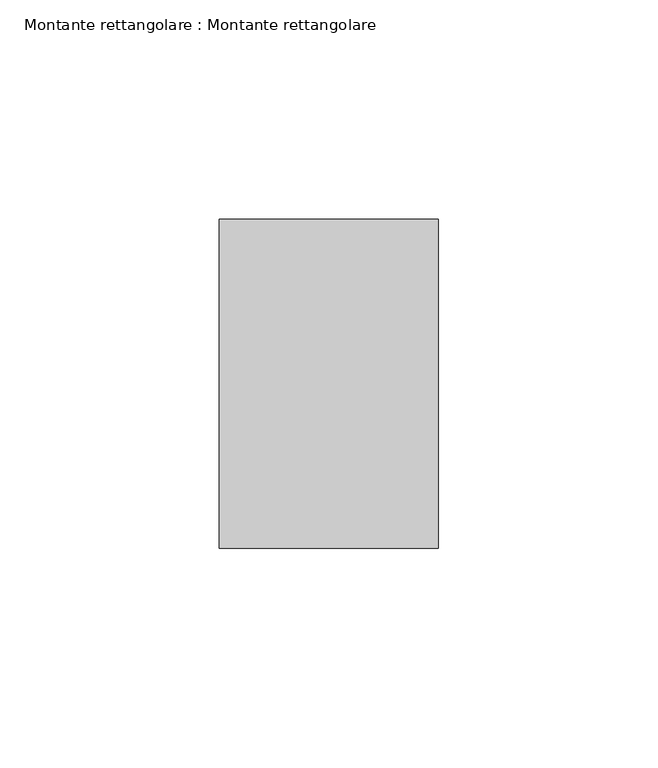
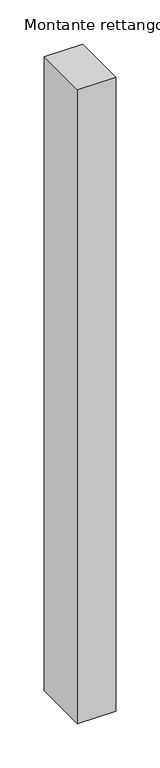
"""IFC4 building model written with IfcOpenShell, lengths in millimetres: member geometry, Montante rettangolare : Montante rettangolare."""

from ifc_helpers import new_model, si_unit, frame, origin, place, context, project, spatial, polyline, outline, extrude, source, transform, mapped, element, save


def montante_rettangolare_montante_rettangolare_f08a698e(model_context):
    return source(origin(), model_context, "Body", "SweptSolid", [
        extrude(outline(polyline([(0.0, 37.5), (0.0, -37.5), (-50.0, -37.5), (-50.0, 37.5), (0.0, 37.5)])), frame((0.0, 0.0, -875.0), z_axis=(0.0, 0.0, 1.0), x_axis=(1.0, 0.0, 0.0)), (0.0, 0.0, 1.0), 875.0),
    ])


if __name__ == "__main__":
    model = new_model("IFC4")
    model_context = context("Model", 3, world=origin())
    ifc_project = project(units=[si_unit("LENGTHUNIT", "METRE", prefix="MILLI")], contexts=[model_context])
    site = spatial("IfcSite", under=ifc_project)
    building = spatial("IfcBuilding", under=site)
    placement = place(None, origin())
    montante_rettangolare_montante_rettangolare_shape = montante_rettangolare_montante_rettangolare_f08a698e(model_context)
    element("IfcMember", 1, ObjectType="Montante rettangolare : Montante rettangolare", at=placement, inside=building, context=model_context, shape_type="MappedRepresentation", body=[
        mapped(montante_rettangolare_montante_rettangolare_shape, transform((0.0, 0.0, 0.0), x_axis=(1.0, 0.0, 0.0), y_axis=(0.0, 1.0, 0.0), z_axis=(0.0, 0.0, 1.0))),
    ])
    save(model, "model.ifc")
